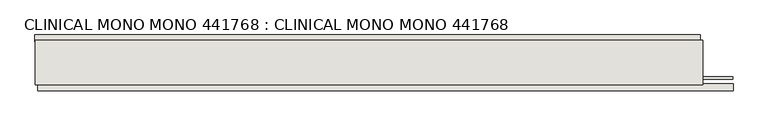
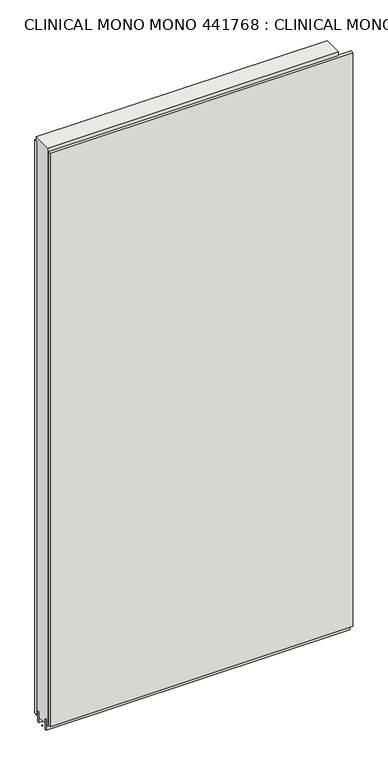
"""IFC4 building model written with IfcOpenShell, lengths in millimetres: wall geometry, CLINICAL MONO MONO 441768 : CLINICAL MONO MONO 441768."""

from ifc_helpers import new_model, si_unit, frame, origin, place, context, project, spatial, polyline, outline, extrude, source, transform, mapped, element, save


def clinical_mono_mono_441768_clinical_mono_mono_441768_e99a8fcc(model_context):
    return source(origin(), model_context, "Body", "SweptSolid", [
        extrude(outline(polyline([(59742.6864072, -43395.5074684), (59745.2264072, -43395.5074684), (59745.2264072, -43398.0474684), (59742.6864072, -43398.0474684), (59742.6864072, -43395.5074684)])), frame((0.0, 0.0, 4419.6), z_axis=(0.0, 0.0, 1.0), x_axis=(1.0, 0.0, 0.0)), (0.0, 0.0, 1.0), 2.54),
        extrude(outline(polyline([(61017.648094, -43447.5774684), (59747.1480188, -43447.5774684), (59747.1480188, -43434.8774684), (61017.648094, -43434.8774684), (61017.648094, -43447.5774684)])), frame((0.0, 0.0, 4445.0), z_axis=(0.0, 0.0, 1.0), x_axis=(1.0, 0.0, 0.0)), (0.0, 0.0, 1.0), 2545.0498756),
        extrude(outline(polyline([(59742.2170914, -43345.9774684), (60957.4170994, -43345.9774684), (60957.4170994, -43358.6774684), (59742.2170914, -43358.6774684), (59742.2170914, -43345.9774684)])), frame((0.0, 0.0, 4445.0), z_axis=(0.0, 0.0, 1.0), x_axis=(1.0, 0.0, 0.0)), (0.0, 0.0, 1.0), 2545.0498756),
        extrude(outline(polyline([(59742.678965, -43421.8581142), (61017.1748158, -43421.8581142), (61017.1748158, -43426.9399684), (59742.678965, -43426.9399684), (59742.678965, -43421.8581142)])), frame((0.0, 0.0, 4418.6602), z_axis=(0.0, 0.0, 1.0), x_axis=(1.0, 0.0, 0.0)), (0.0, 0.0, 1.0), 47.625),
        extrude(outline(polyline([(59742.678965, -43421.8581142), (61017.1748158, -43421.8581142), (61017.1748158, -43426.9399684), (59742.678965, -43426.9399684), (59742.678965, -43421.8581142)])), frame((0.0, 0.0, 4418.6602), z_axis=(0.0, 0.0, 1.0), x_axis=(1.0, 0.0, 0.0)), (0.0, 0.0, 1.0), 47.625),
        extrude(outline(polyline([(60961.878965, -43371.6937238), (59742.678965, -43371.6937238), (59742.678965, -43366.6149684), (60961.878965, -43366.6149684), (60961.878965, -43371.6937238)])), frame((0.0, 0.0, 4418.6602), z_axis=(0.0, 0.0, 1.0), x_axis=(1.0, 0.0, 0.0)), (0.0, 0.0, 1.0), 47.625),
        extrude(outline(polyline([(60961.878965, -43371.6937238), (59742.678965, -43371.6937238), (59742.678965, -43366.6149684), (60961.878965, -43366.6149684), (60961.878965, -43371.6937238)])), frame((0.0, 0.0, 4418.6602), z_axis=(0.0, 0.0, 1.0), x_axis=(1.0, 0.0, 0.0)), (0.0, 0.0, 1.0), 47.625),
        extrude(outline(polyline([(59742.678965, -43437.429254), (59742.678965, -43356.1504986), (60961.878965, -43356.1504986), (60961.878965, -43437.429254), (59742.678965, -43437.429254)])), frame((0.0, 0.0, 4445.0), z_axis=(0.0, 0.0, 1.0), x_axis=(1.0, 0.0, 0.0)), (0.0, 0.0, 1.0), 2562.4536762),
    ])


if __name__ == "__main__":
    model = new_model("IFC4")
    model_context = context("Model", 3, world=origin())
    ifc_project = project(units=[si_unit("LENGTHUNIT", "METRE", prefix="MILLI")], contexts=[model_context])
    site = spatial("IfcSite", under=ifc_project)
    building = spatial("IfcBuilding", under=site)
    placement = place(None, origin())
    clinical_mono_mono_441768_clinical_mono_mono_441768_shape = clinical_mono_mono_441768_clinical_mono_mono_441768_e99a8fcc(model_context)
    element("IfcWall", 1, ObjectType="CLINICAL MONO MONO 441768 : CLINICAL MONO MONO 441768", at=placement, inside=building, context=model_context, shape_type="MappedRepresentation", body=[
        mapped(clinical_mono_mono_441768_clinical_mono_mono_441768_shape, transform((0.0, 0.0, 0.0), x_axis=(1.0, 0.0, 0.0), y_axis=(0.0, 1.0, 0.0), z_axis=(0.0, 0.0, 1.0))),
    ])
    save(model, "model.ifc")
